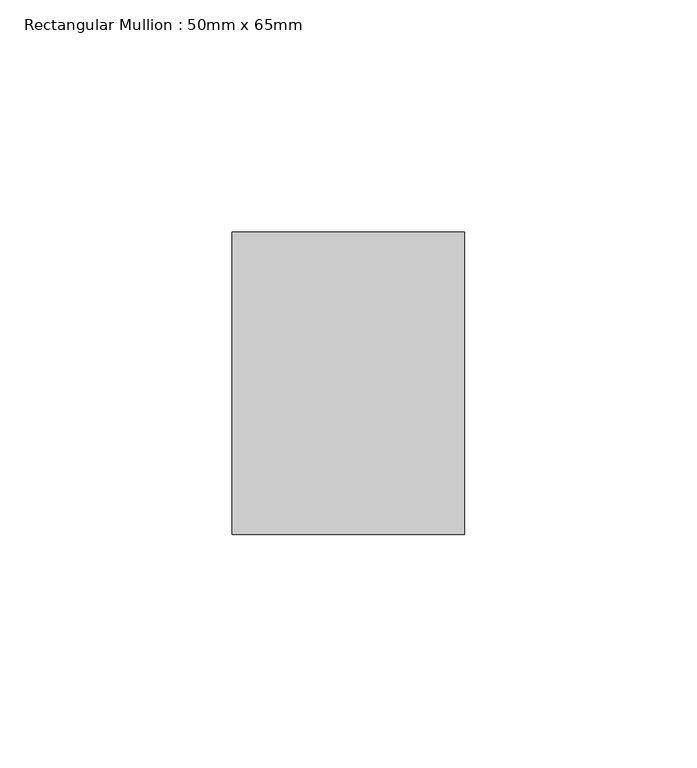
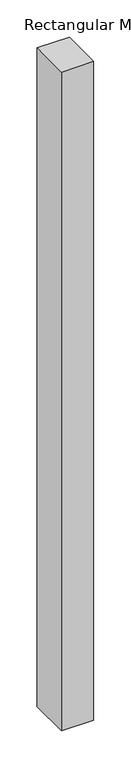
"""IFC4 building model written with IfcOpenShell, lengths in millimetres: member geometry, Rectangular Mullion : 50mm x 65mm."""

import ifcopenshell
import ifcopenshell.guid

model = None  # the IFC model being written
_history = None  # IfcOwnerHistory: only IFC2X3 demands one
_inside = {}  # id of a spatial element -> (the spatial element, [elements in it])
_under = {}  # id of a project, library or spatial element -> (it, [spatial elements below it])
_declared = {}  # id of a project -> (the project, [libraries it declares])
_typed = {}  # id of a type object -> (the type object, [elements of that type])
_made_of = {}  # id of a material, layer set ... -> (it, [elements and type objects made of it])


def new_model(schema):
    """Start an empty IFC model of exactly this schema.

    Asked for "IFC4X3", IfcOpenShell would pick the latest addendum, in which some entities
    have other attributes; the version numbers below select the first issue.
    IFC2X3 requires an IfcOwnerHistory on every rooted entity: one is made here for all.
    """
    global model, _history
    if schema == "IFC4X3":
        model = ifcopenshell.file(schema_version=(4, 3, 0, 0))
    else:
        model = ifcopenshell.file(schema=schema)
    _inside.clear()
    _under.clear()
    _declared.clear()
    _typed.clear()
    _made_of.clear()
    _history = None
    if model.schema == "IFC2X3":
        org = make("IfcOrganization", Name="unknown")
        user = make(
            "IfcPersonAndOrganization",
            ThePerson=make("IfcPerson", FamilyName="unknown"),
            TheOrganization=org,
        )
        app = make(
            "IfcApplication",
            ApplicationDeveloper=org,
            Version="unknown",
            ApplicationFullName="unknown",
            ApplicationIdentifier="unknown",
        )
        _history = make(
            "IfcOwnerHistory",
            OwningUser=user,
            OwningApplication=app,
            ChangeAction="ADDED",
            CreationDate=0,
        )
    return model


def make(cls, **values):
    """One entity of the class cls with the attributes given. An attribute that is None is left unset."""
    return model.create_entity(
        cls, **{name: value for name, value in values.items() if value is not None}
    )


def rooted(cls, **values):
    """An entity with a GlobalId (a new one), such as an element, a storey or a relation."""
    return make(cls, GlobalId=ifcopenshell.guid.new(), OwnerHistory=_history, **values)


def si_unit(unit_type, name, prefix=None):
    """IfcSIUnit, for example si_unit("LENGTHUNIT", "METRE", prefix="MILLI")."""
    return make("IfcSIUnit", UnitType=unit_type, Prefix=prefix, Name=name)


def assignment(units):
    """IfcUnitAssignment: the units of a project."""
    return None if units is None else make("IfcUnitAssignment", Units=units)


def point(xyz):
    """IfcCartesianPoint."""
    return None if xyz is None else make("IfcCartesianPoint", Coordinates=xyz)


def direction(xyz):
    """IfcDirection."""
    return None if xyz is None else make("IfcDirection", DirectionRatios=xyz)


def frame(location, z_axis=None, x_axis=None):
    """IfcAxis2Placement3D, a coordinate frame: its origin and axes. An axis left out is left unset."""
    return make(
        "IfcAxis2Placement3D",
        Location=point(location),
        Axis=direction(z_axis),
        RefDirection=direction(x_axis),
    )


def origin():
    """The frame at (0, 0, 0) with its axes left unset."""
    return frame((0.0, 0.0, 0.0))


def place(relative_to, where):
    """IfcLocalPlacement: puts the frame where relative to a parent placement (None: the world)."""
    return make(
        "IfcLocalPlacement", PlacementRelTo=relative_to, RelativePlacement=where
    )


def context(
    kind, dimensions, precision=None, world=None, true_north=None, identifier=None
):
    """IfcGeometricRepresentationContext, for example the 3D "Model" context."""
    return make(
        "IfcGeometricRepresentationContext",
        ContextIdentifier=identifier,
        ContextType=kind,
        CoordinateSpaceDimension=dimensions,
        Precision=precision,
        WorldCoordinateSystem=world,
        TrueNorth=true_north,
    )


def project(units=None, contexts=None):
    """IfcProject with its units and contexts."""
    return rooted(
        "IfcProject",
        Name="project",
        RepresentationContexts=contexts,
        UnitsInContext=assignment(units),
    )


def spatial(cls, under=None, at=None, **own):
    """A site, building, storey or space (cls), placed at a placement, below another one or the project."""
    s = rooted(cls, ObjectPlacement=at, **own)
    if under is not None:
        _under.setdefault(under.id(), (under, []))[1].append(s)
    return s


def polyline(points):
    """IfcPolyline through the points."""
    return make("IfcPolyline", Points=[point(p) for p in points])


def outline(outer, holes=None, kind="AREA"):
    """IfcArbitraryClosedProfileDef: a profile drawn as a closed curve; with holes, ...WithVoids."""
    if holes is None:
        return make("IfcArbitraryClosedProfileDef", ProfileType=kind, OuterCurve=outer)
    return make(
        "IfcArbitraryProfileDefWithVoids",
        ProfileType=kind,
        OuterCurve=outer,
        InnerCurves=holes,
    )


def extrude(swept, where, along, depth):
    """IfcExtrudedAreaSolid: the profile swept, set in the frame where, extruded along a direction by depth."""
    return make(
        "IfcExtrudedAreaSolid",
        SweptArea=swept,
        Position=where,
        ExtrudedDirection=direction(along),
        Depth=depth,
    )


def shape(context_of_items, identifier, shape_type, items):
    """IfcShapeRepresentation: the items that make up one representation, for example the "Body"."""
    return make(
        "IfcShapeRepresentation",
        ContextOfItems=context_of_items,
        RepresentationIdentifier=identifier,
        RepresentationType=shape_type,
        Items=items,
    )


def source(mapping_origin, context_of_items, identifier, shape_type, items):
    """IfcRepresentationMap: a shape defined once, which mapped items show again and again."""
    return make(
        "IfcRepresentationMap",
        MappingOrigin=mapping_origin,
        MappedRepresentation=shape(context_of_items, identifier, shape_type, items),
    )


def transform(
    local_origin,
    x_axis=None,
    y_axis=None,
    z_axis=None,
    scale=None,
    scale2=None,
    scale3=None,
    uniform=True,
):
    """IfcCartesianTransformationOperator3D, or its non-uniform kind. x_axis, y_axis, z_axis: its Axis1, 2, 3."""
    if uniform:
        return make(
            "IfcCartesianTransformationOperator3D",
            Axis1=direction(x_axis),
            Axis2=direction(y_axis),
            LocalOrigin=point(local_origin),
            Scale=scale,
            Axis3=direction(z_axis),
        )
    return make(
        "IfcCartesianTransformationOperator3DnonUniform",
        Axis1=direction(x_axis),
        Axis2=direction(y_axis),
        LocalOrigin=point(local_origin),
        Scale=scale,
        Axis3=direction(z_axis),
        Scale2=scale2,
        Scale3=scale3,
    )


def mapped(mapping_source, mapping_target):
    """IfcMappedItem: shows the shape of a source again, moved by a transform."""
    return make(
        "IfcMappedItem", MappingSource=mapping_source, MappingTarget=mapping_target
    )


def made_of(thing, what):
    """Note that an element or type object is made of a material, layer set ...; save() writes the relation."""
    if what is not None:
        _made_of.setdefault(what.id(), (what, []))[1].append(thing)
    return thing


def element(
    cls,
    number,
    at=None,
    inside=None,
    cuts=None,
    type_object=None,
    material=None,
    context=None,
    identifier="Body",
    shape_type=None,
    held_by="IfcProductDefinitionShape",
    body=None,
    shapes=None,
    **own,
):
    """One element of the class cls, such as IfcWall. Its Tag is "e" and its number.

    at: its placement. inside: the storey or other place that contains it. cuts: it is an
    opening in that element (IfcRelVoidsElement). A single representation is given by context,
    identifier, shape_type and body (its items); several are given by shapes. held_by: the class
    of the entity that holds the representations. save() writes the other relations.
    """
    e = rooted(cls, Tag="e%d" % number, ObjectPlacement=at, **own)
    if body is not None:
        shapes = [shape(context, identifier, shape_type, body)]
    if shapes is not None:
        e.Representation = make(held_by, Representations=shapes)
    if inside is not None:
        _inside.setdefault(inside.id(), (inside, []))[1].append(e)
    if cuts is not None:
        rooted(
            "IfcRelVoidsElement", RelatingBuildingElement=cuts, RelatedOpeningElement=e
        )
    if type_object is not None:
        _typed.setdefault(type_object.id(), (type_object, []))[1].append(e)
    return made_of(e, material)


def aggregate(whole, parts):
    """IfcRelAggregates: a whole, such as a stair, and the parts it consists of."""
    return rooted("IfcRelAggregates", RelatingObject=whole, RelatedObjects=parts)


def save(model, path):
    """Write the relations noted so far, then the file.

    IfcRelAggregates (storeys below a building ...), IfcRelContainedInSpatialStructure (elements
    in a storey), IfcRelDefinesByType, IfcRelAssociatesMaterial and IfcRelDeclares: one each for
    every whole, place, type object, material and project.
    """
    for whole, parts in _under.values():
        aggregate(whole, parts)
    for where, things in _inside.values():
        rooted(
            "IfcRelContainedInSpatialStructure",
            RelatedElements=things,
            RelatingStructure=where,
        )
    for kind, things in _typed.values():
        rooted("IfcRelDefinesByType", RelatedObjects=things, RelatingType=kind)
    for what, things in _made_of.values():
        rooted("IfcRelAssociatesMaterial", RelatedObjects=things, RelatingMaterial=what)
    for by, libraries in _declared.values():
        rooted("IfcRelDeclares", RelatingContext=by, RelatedDefinitions=libraries)
    model.write(path)


def rectangular_mullion_50mm_x_65mm_ed1fdd19(model_context):
    return source(origin(), model_context, "Body", "SweptSolid", [
        extrude(outline(polyline([(25.0, 32.5), (25.0, -32.5), (-25.0, -32.5), (-25.0, 32.5), (25.0, 32.5)])), frame((0.0, 0.0, -1078.0448565), z_axis=(0.0, 0.0, 1.0), x_axis=(1.0, 0.0, 0.0)), (0.0, 0.0, 1.0), 1078.0448565),
    ])


if __name__ == "__main__":
    model = new_model("IFC4")
    model_context = context("Model", 3, world=origin())
    ifc_project = project(units=[si_unit("LENGTHUNIT", "METRE", prefix="MILLI")], contexts=[model_context])
    site = spatial("IfcSite", under=ifc_project)
    building = spatial("IfcBuilding", under=site)
    placement = place(None, origin())
    rectangular_mullion_50mm_x_65mm_shape = rectangular_mullion_50mm_x_65mm_ed1fdd19(model_context)
    element("IfcMember", 1, ObjectType="Rectangular Mullion : 50mm x 65mm", at=placement, inside=building, context=model_context, shape_type="MappedRepresentation", body=[
        mapped(rectangular_mullion_50mm_x_65mm_shape, transform((0.0, 0.0, 0.0), x_axis=(1.0, 0.0, 0.0), y_axis=(0.0, 1.0, 0.0), z_axis=(0.0, 0.0, 1.0))),
    ])
    save(model, "model.ifc")
